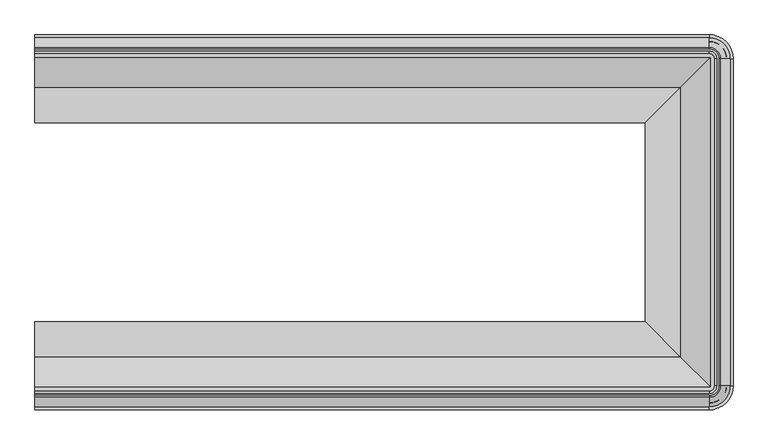
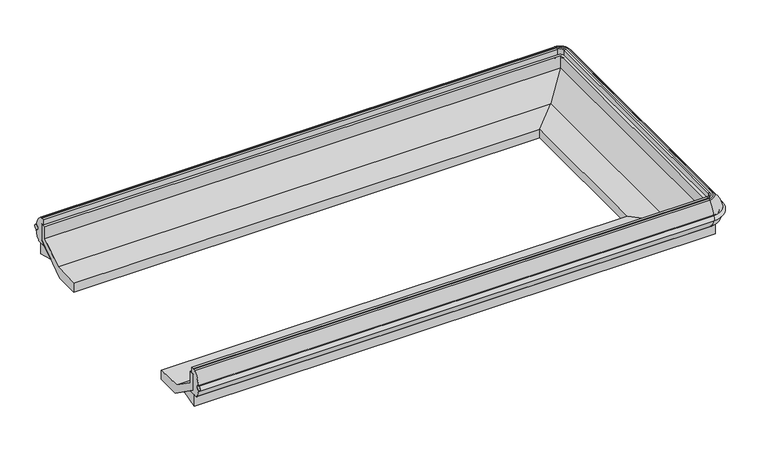
"""IFC4 building model written with IfcOpenShell, lengths in millimetres: proxy geometry."""

from ifc_helpers import new_model, si_unit, point, frame, origin, place, context, project, spatial, polyline, circle_curve, ellipse_curve, trimmed, faceted_brep, source, transform, mapped, element, save
from ifc_brep_helpers import plane_surface, cylinder_surface, revolved_surface, advanced_brep


def mechanical_equipment_6309b47d(model_context):
    return source(origin(), model_context, "Body", "SolidModel", [
        advanced_brep(
        [(0.0, -365.6059435, 602.247843), (0.0, -364.7243169, 567.3458826), (0.0, -2361.2333111, 602.247843), (0.0, -2362.1149377, 567.3458826), (3651.3002227, -365.6059435, 602.247843), (3651.3002227, -364.7243169, 567.3458826), (3764.1203104, -477.5444046, 567.3458826), (3763.2386838, -477.5444046, 602.247843), (3763.2386838, -2249.29485, 602.247843), (3764.1203104, -2249.29485, 567.3458826), (3651.3002227, -2362.1149377, 567.3458826), (3651.3002227, -2361.2333111, 602.247843)],
        [
            (0, 1, circle_curve(frame((0.0, -366.3246731, 584.7675726), z_axis=(-1.0, 0.0, 0.0), x_axis=(0.0, 1.0, 0.0)), 17.49504)),
            (1, 0, circle_curve(frame((0.0, -366.2319692, 584.7699144), z_axis=(-1.0, 0.0, 0.0), x_axis=(0.0, 1.0, 0.0)), 17.4891366)),
            (2, 3, circle_curve(frame((0.0, -2360.6072854, 584.7699144), z_axis=(-1.0, 0.0, 0.0), x_axis=(0.0, -1.0, 0.0)), 17.4891366)),
            (3, 2, circle_curve(frame((0.0, -2360.5145815, 584.7675726), z_axis=(-1.0, 0.0, 0.0), x_axis=(0.0, -1.0, 0.0)), 17.49504)),
            (0, 4),
            (4, 5, circle_curve(frame((3651.3002227, -366.3246731, 584.7675726), z_axis=(-1.0, 0.0, 0.0), x_axis=(0.0, 1.0, 0.0)), 17.49504)),
            (5, 1),
            (5, 4, circle_curve(frame((3651.3002227, -366.2319692, 584.7699144), z_axis=(-1.0, 0.0, 0.0), x_axis=(0.0, 1.0, 0.0)), 17.4891366)),
            (6, 5, circle_curve(frame((3651.3002227, -477.5444046, 567.3458826), z_axis=(0.0, 0.0, 1.0), x_axis=(0.0, 1.0, 0.0)), 112.8200877)),
            (4, 7, circle_curve(frame((3651.3002227, -477.5444046, 602.247843), z_axis=(0.0, 0.0, -1.0), x_axis=(0.0, 1.0, 0.0)), 111.9384611)),
            (7, 6, circle_curve(frame((3762.5199542, -477.5444046, 584.7675726), z_axis=(0.0, 1.0, 0.0), x_axis=(1.0, 0.0, 0.0)), 17.49504)),
            (6, 7, circle_curve(frame((3762.6126581, -477.5444046, 584.7699144), z_axis=(0.0, 1.0, 0.0), x_axis=(1.0, 0.0, 0.0)), 17.4891366)),
            (7, 8),
            (8, 9, circle_curve(frame((3762.5199542, -2249.29485, 584.7675726), z_axis=(0.0, 1.0, 0.0), x_axis=(1.0, 0.0, 0.0)), 17.49504)),
            (9, 6),
            (9, 8, circle_curve(frame((3762.6126581, -2249.29485, 584.7699144), z_axis=(0.0, 1.0, 0.0), x_axis=(1.0, 0.0, 0.0)), 17.4891366)),
            (10, 9, circle_curve(frame((3651.3002227, -2249.29485, 567.3458826), z_axis=(0.0, 0.0, 1.0), x_axis=(1.0, 0.0, 0.0)), 112.8200877)),
            (8, 11, circle_curve(frame((3651.3002227, -2249.29485, 602.247843), z_axis=(0.0, 0.0, -1.0), x_axis=(1.0, 0.0, 0.0)), 111.9384611)),
            (11, 10, circle_curve(frame((3651.3002227, -2360.5145815, 584.7675726), z_axis=(1.0, 0.0, 0.0), x_axis=(0.0, -1.0, 0.0)), 17.49504)),
            (10, 11, circle_curve(frame((3651.3002227, -2360.6072854, 584.7699144), z_axis=(1.0, 0.0, 0.0), x_axis=(0.0, -1.0, 0.0)), 17.4891366)),
            (11, 2),
            (3, 10),
        ],
        [
            plane_surface(frame((0.0, -401.3444046, 0.0), z_axis=(-1.0, 0.0, 0.0), x_axis=(0.0, 0.0, 1.0))),
            plane_surface(frame((0.0, -2325.49485, 0.0), z_axis=(-1.0, 0.0, 0.0), x_axis=(0.0, 0.0, 1.0))),
            cylinder_surface(frame((0.0, -366.3246731, 584.7675726), z_axis=(-1.0, 0.0, 0.0), x_axis=(0.0, 1.0, 0.0)), 17.49504),
            cylinder_surface(frame((0.0, -366.2319692, 584.7699144), z_axis=(-1.0, 0.0, 0.0), x_axis=(0.0, 1.0, 0.0)), 17.4891366),
            revolved_surface(trimmed(ellipse_curve(frame((3651.3002227, -366.3246731, 584.7675726), z_axis=(-1.0, 0.0, 0.0), x_axis=(0.0, 1.0, 0.0)), 17.49504, 17.49504), [point((3651.3002227, -365.6059435, 602.247843))], [point((3651.3002227, -364.7243169, 567.3458826))], True, "CARTESIAN"), (3651.3002227, -477.5444046, 0.0), (0.0, 0.0, -1.0)),
            revolved_surface(trimmed(ellipse_curve(frame((3651.3002227, -366.2319692, 584.7699144), z_axis=(-1.0, 0.0, 0.0), x_axis=(0.0, 1.0, 0.0)), 17.4891366, 17.4891366), [point((3651.3002227, -364.7243169, 567.3458826))], [point((3651.3002227, -365.6059435, 602.247843))], True, "CARTESIAN"), (3651.3002227, -477.5444046, 0.0), (0.0, 0.0, -1.0)),
            cylinder_surface(frame((3762.5199542, -477.5444046, 584.7675726), z_axis=(0.0, 1.0, 0.0), x_axis=(1.0, 0.0, 0.0)), 17.49504),
            cylinder_surface(frame((3762.6126581, -477.5444046, 584.7699144), z_axis=(0.0, 1.0, 0.0), x_axis=(1.0, 0.0, 0.0)), 17.4891366),
            revolved_surface(trimmed(ellipse_curve(frame((3762.5199542, -2249.29485, 584.7675726), z_axis=(0.0, 1.0, 0.0), x_axis=(1.0, 0.0, 0.0)), 17.49504, 17.49504), [point((3763.2386838, -2249.29485, 602.247843))], [point((3764.1203104, -2249.29485, 567.3458826))], True, "CARTESIAN"), (3651.3002227, -2249.29485, 0.0), (0.0, 0.0, -1.0)),
            revolved_surface(trimmed(ellipse_curve(frame((3762.6126581, -2249.29485, 584.7699144), z_axis=(0.0, 1.0, 0.0), x_axis=(1.0, 0.0, 0.0)), 17.4891366, 17.4891366), [point((3764.1203104, -2249.29485, 567.3458826))], [point((3763.2386838, -2249.29485, 602.247843))], True, "CARTESIAN"), (3651.3002227, -2249.29485, 0.0), (0.0, 0.0, -1.0)),
            cylinder_surface(frame((3651.3002227, -2360.5145815, 584.7675726), z_axis=(1.0, 0.0, 0.0), x_axis=(0.0, -1.0, 0.0)), 17.49504),
            cylinder_surface(frame((3651.3002227, -2360.6072854, 584.7699144), z_axis=(1.0, 0.0, 0.0), x_axis=(0.0, -1.0, 0.0)), 17.4891366),
        ],
        [
            (0, [[1, 2]]),
            (1, [[3, 4]]),
            (2, [[-1, 5, 6, 7]]),
            (3, [[-2, -7, 8, -5]]),
            (4, [[9, -6, 10, 11]]),
            (5, [[-10, -8, -9, 12]]),
            (6, [[-11, 13, 14, 15]]),
            (7, [[-12, -15, 16, -13]]),
            (8, [[17, -14, 18, 19]]),
            (9, [[-18, -16, -17, 20]]),
            (10, [[-19, 21, -4, 22]]),
            (11, [[-20, -22, -3, -21]]),
        ],
    ),
        advanced_brep(
        [(0.0, -2333.0315958, 504.5537563), (0.0, -2363.034468, 567.4500216), (0.0, -2362.8248409, 602.1178925), (0.0, -2311.7516931, 687.0777092), (0.0, -2300.9652704, 691.305018), (0.0, -2291.4402704, 691.305018), (0.0, -2277.3254027, 690.9426532), (0.0, -2277.3254027, 650.3352408), (0.0, -2294.2214353, 650.3352408), (0.0, -2294.2214353, 529.925931), (0.0, -2254.9980473, 502.405218), (0.0, -2328.2702704, 502.405218), (0.0, -393.8076588, 504.5537563), (0.0, -398.5689842, 502.405218), (0.0, -471.8412073, 502.405218), (0.0, -432.6178193, 529.925931), (0.0, -432.6178193, 650.3352408), (0.0, -449.5138519, 650.3352408), (0.0, -449.5138519, 690.9426532), (0.0, -435.3989842, 691.305018), (0.0, -425.8739842, 691.305018), (0.0, -415.0875615, 687.0777092), (0.0, -364.0144137, 602.1178925), (0.0, -363.8047866, 567.4500216), (3651.3002227, -2333.0315958, 504.5537563), (3651.3002227, -2363.034468, 567.4500216), (3651.3002227, -2362.8248409, 602.1178925), (3651.3002227, -2311.7516931, 687.0777092), (3651.3002227, -2300.9652704, 691.305018), (3702.9706431, -2249.29485, 691.305018), (3702.9706431, -477.5444046, 691.305018), (3651.3002227, -425.8739842, 691.305018), (3651.3002227, -435.3989842, 691.305018), (3693.4456431, -477.5444046, 691.305018), (3693.4456431, -2249.29485, 691.305018), (3651.3002227, -2291.4402704, 691.305018), (3651.3002227, -2277.3254027, 690.9426532), (3651.3002227, -2277.3254027, 650.3352408), (3679.3307754, -2249.29485, 650.3352408), (3679.3307754, -477.5444046, 650.3352408), (3651.3002227, -449.5138519, 650.3352408), (3651.3002227, -432.6178193, 650.3352408), (3696.226808, -477.5444046, 650.3352408), (3696.226808, -2249.29485, 650.3352408), (3651.3002227, -2294.2214353, 650.3352408), (3651.3002227, -2294.2214353, 529.925931), (3651.3002227, -2254.9980473, 502.405218), (3657.00342, -2249.29485, 502.405218), (3657.00342, -477.5444046, 502.405218), (3651.3002227, -471.8412073, 502.405218), (3651.3002227, -398.5689842, 502.405218), (3730.2756431, -477.5444046, 502.405218), (3730.2756431, -2249.29485, 502.405218), (3651.3002227, -2328.2702704, 502.405218), (3765.0398407, -2249.29485, 567.4500216), (3735.0369685, -2249.29485, 504.5537563), (3764.8302136, -2249.29485, 602.1178925), (3713.7570658, -2249.29485, 687.0777092), (3679.3307754, -2249.29485, 690.9426532), (3696.226808, -2249.29485, 529.925931), (3735.0369685, -477.5444046, 504.5537563), (3765.0398407, -477.5444046, 567.4500216), (3764.8302136, -477.5444046, 602.1178925), (3713.7570658, -477.5444046, 687.0777092), (3679.3307754, -477.5444046, 690.9426532), (3696.226808, -477.5444046, 529.925931), (3651.3002227, -363.8047866, 567.4500216), (3651.3002227, -393.8076588, 504.5537563), (3651.3002227, -364.0144137, 602.1178925), (3651.3002227, -415.0875615, 687.0777092), (3651.3002227, -449.5138519, 690.9426532), (3651.3002227, -432.6178193, 529.925931)],
        [
            (0, 1, circle_curve(frame((0.0, -2237.8050879, 588.5829906), z_axis=(-1.0, 0.0, 0.0), x_axis=(0.0, 1.0, 0.0)), 127.0)),
            (1, 2, circle_curve(frame((0.0, -2360.6072854, 584.7699144), z_axis=(1.0, 0.0, 0.0), x_axis=(0.0, 1.0, 0.0)), 17.4891366)),
            (2, 3, circle_curve(frame((0.0, -2190.9437587, 556.623568), z_axis=(-1.0, 0.0, 0.0), x_axis=(0.0, 1.0, 0.0)), 177.7999999)),
            (3, 4, circle_curve(frame((0.0, -2300.9652704, 675.430018), z_axis=(-1.0, 0.0, 0.0), x_axis=(0.0, 1.0, 0.0)), 15.875)),
            (4, 5),
            (5, 6),
            (6, 7),
            (7, 8),
            (8, 9),
            (9, 10),
            (10, 11),
            (11, 0, circle_curve(frame((0.0, -2328.2702704, 508.755218), z_axis=(-1.0, 0.0, 0.0), x_axis=(0.0, 1.0, 0.0)), 6.35)),
            (12, 13, circle_curve(frame((0.0, -398.5689842, 508.755218), z_axis=(-1.0, 0.0, 0.0), x_axis=(0.0, -1.0, 0.0)), 6.35)),
            (13, 14),
            (14, 15),
            (15, 16),
            (16, 17),
            (17, 18),
            (18, 19),
            (19, 20),
            (20, 21, circle_curve(frame((0.0, -425.8739842, 675.430018), z_axis=(-1.0, 0.0, 0.0), x_axis=(0.0, -1.0, 0.0)), 15.875)),
            (21, 22, circle_curve(frame((0.0, -535.8954959, 556.623568), z_axis=(-1.0, 0.0, 0.0), x_axis=(0.0, -1.0, 0.0)), 177.7999999)),
            (22, 23, circle_curve(frame((0.0, -366.2319692, 584.7699144), z_axis=(1.0, 0.0, 0.0), x_axis=(0.0, -1.0, 0.0)), 17.4891366)),
            (23, 12, circle_curve(frame((0.0, -489.0341667, 588.5829906), z_axis=(-1.0, 0.0, 0.0), x_axis=(0.0, -1.0, 0.0)), 127.0)),
            (0, 24),
            (24, 25, circle_curve(frame((3651.3002227, -2237.8050879, 588.5829906), z_axis=(-1.0, 0.0, 0.0), x_axis=(0.0, 1.0, 0.0)), 127.0)),
            (25, 1),
            (25, 26, circle_curve(frame((3651.3002227, -2360.6072854, 584.7699144), z_axis=(1.0, 0.0, 0.0), x_axis=(0.0, 1.0, 0.0)), 17.4891366)),
            (26, 2),
            (26, 27, circle_curve(frame((3651.3002227, -2190.9437587, 556.623568), z_axis=(-1.0, 0.0, 0.0), x_axis=(0.0, 1.0, 0.0)), 177.7999999)),
            (27, 3),
            (27, 28, circle_curve(frame((3651.3002227, -2300.9652704, 675.430018), z_axis=(-1.0, 0.0, 0.0), x_axis=(0.0, 1.0, 0.0)), 15.875)),
            (28, 4),
            (28, 29, circle_curve(frame((3651.3002227, -2249.29485, 691.305018), z_axis=(0.0, 0.0, 1.0), x_axis=(0.0, -1.0, 0.0)), 51.6704204)),
            (29, 30),
            (30, 31, circle_curve(frame((3651.3002227, -477.5444046, 691.305018), z_axis=(0.0, 0.0, 1.0), x_axis=(1.0, 0.0, 0.0)), 51.6704204)),
            (31, 20),
            (19, 32),
            (32, 33, circle_curve(frame((3651.3002227, -477.5444046, 691.305018), z_axis=(0.0, 0.0, -1.0), x_axis=(1.0, 0.0, 0.0)), 42.1454204)),
            (33, 34),
            (34, 35, circle_curve(frame((3651.3002227, -2249.29485, 691.305018), z_axis=(0.0, 0.0, -1.0), x_axis=(0.0, -1.0, 0.0)), 42.1454204)),
            (35, 5),
            (35, 36),
            (36, 6),
            (36, 37),
            (37, 7),
            (37, 38, circle_curve(frame((3651.3002227, -2249.29485, 650.3352408), z_axis=(0.0, 0.0, 1.0), x_axis=(0.0, -1.0, 0.0)), 28.0305527)),
            (38, 39),
            (39, 40, circle_curve(frame((3651.3002227, -477.5444046, 650.3352408), z_axis=(0.0, 0.0, 1.0), x_axis=(1.0, 0.0, 0.0)), 28.0305527)),
            (40, 17),
            (16, 41),
            (41, 42, circle_curve(frame((3651.3002227, -477.5444046, 650.3352408), z_axis=(0.0, 0.0, -1.0), x_axis=(1.0, 0.0, 0.0)), 44.9265852)),
            (42, 43),
            (43, 44, circle_curve(frame((3651.3002227, -2249.29485, 650.3352408), z_axis=(0.0, 0.0, -1.0), x_axis=(0.0, -1.0, 0.0)), 44.9265852)),
            (44, 8),
            (44, 45),
            (45, 9),
            (45, 46),
            (46, 10),
            (46, 47, circle_curve(frame((3651.3002227, -2249.29485, 502.405218), z_axis=(0.0, 0.0, 1.0), x_axis=(0.0, -1.0, 0.0)), 5.7031973)),
            (47, 48),
            (48, 49, circle_curve(frame((3651.3002227, -477.5444046, 502.405218), z_axis=(0.0, 0.0, 1.0), x_axis=(1.0, 0.0, 0.0)), 5.7031973)),
            (49, 14),
            (13, 50),
            (50, 51, circle_curve(frame((3651.3002227, -477.5444046, 502.405218), z_axis=(0.0, 0.0, -1.0), x_axis=(1.0, 0.0, 0.0)), 78.9754204)),
            (51, 52),
            (52, 53, circle_curve(frame((3651.3002227, -2249.29485, 502.405218), z_axis=(0.0, 0.0, -1.0), x_axis=(0.0, -1.0, 0.0)), 78.9754204)),
            (53, 11),
            (53, 24, circle_curve(frame((3651.3002227, -2328.2702704, 508.755218), z_axis=(-1.0, 0.0, 0.0), x_axis=(0.0, 1.0, 0.0)), 6.35)),
            (54, 25, circle_curve(frame((3651.3002227, -2249.29485, 567.4500216), z_axis=(0.0, 0.0, -1.0), x_axis=(0.0, -1.0, 0.0)), 113.739618)),
            (24, 55, circle_curve(frame((3651.3002227, -2249.29485, 504.5537563), z_axis=(0.0, 0.0, 1.0), x_axis=(0.0, -1.0, 0.0)), 83.7367458)),
            (55, 54, circle_curve(frame((3639.8104606, -2249.29485, 588.5829906), z_axis=(0.0, -1.0, 0.0), x_axis=(-1.0, 0.0, 0.0)), 127.0)),
            (56, 26, circle_curve(frame((3651.3002227, -2249.29485, 602.1178925), z_axis=(0.0, 0.0, -1.0), x_axis=(0.0, -1.0, 0.0)), 113.5299909)),
            (54, 56, circle_curve(frame((3762.6126581, -2249.29485, 584.7699144), z_axis=(0.0, 1.0, 0.0), x_axis=(-1.0, 0.0, 0.0)), 17.4891366)),
            (57, 27, circle_curve(frame((3651.3002227, -2249.29485, 687.0777092), z_axis=(0.0, 0.0, -1.0), x_axis=(0.0, -1.0, 0.0)), 62.4568431)),
            (56, 57, circle_curve(frame((3592.9491314, -2249.29485, 556.623568), z_axis=(0.0, -1.0, 0.0), x_axis=(-1.0, 0.0, 0.0)), 177.7999999)),
            (57, 29, circle_curve(frame((3702.9706431, -2249.29485, 675.430018), z_axis=(0.0, -1.0, 0.0), x_axis=(-1.0, 0.0, 0.0)), 15.875)),
            (58, 36, circle_curve(frame((3651.3002227, -2249.29485, 690.9426532), z_axis=(0.0, 0.0, -1.0), x_axis=(0.0, -1.0, 0.0)), 28.0305527)),
            (34, 58),
            (58, 38),
            (59, 45, circle_curve(frame((3651.3002227, -2249.29485, 529.925931), z_axis=(0.0, 0.0, -1.0), x_axis=(0.0, -1.0, 0.0)), 44.9265852)),
            (43, 59),
            (59, 47),
            (52, 55, circle_curve(frame((3730.2756431, -2249.29485, 508.755218), z_axis=(0.0, -1.0, 0.0), x_axis=(-1.0, 0.0, 0.0)), 6.35)),
            (55, 60),
            (60, 61, circle_curve(frame((3639.8104606, -477.5444046, 588.5829906), z_axis=(0.0, -1.0, 0.0), x_axis=(-1.0, 0.0, 0.0)), 127.0)),
            (61, 54),
            (61, 62, circle_curve(frame((3762.6126581, -477.5444046, 584.7699144), z_axis=(0.0, 1.0, 0.0), x_axis=(-1.0, 0.0, 0.0)), 17.4891366)),
            (62, 56),
            (62, 63, circle_curve(frame((3592.9491314, -477.5444046, 556.623568), z_axis=(0.0, -1.0, 0.0), x_axis=(-1.0, 0.0, 0.0)), 177.7999999)),
            (63, 57),
            (63, 30, circle_curve(frame((3702.9706431, -477.5444046, 675.430018), z_axis=(0.0, -1.0, 0.0), x_axis=(-1.0, 0.0, 0.0)), 15.875)),
            (33, 64),
            (64, 58),
            (64, 39),
            (42, 65),
            (65, 59),
            (65, 48),
            (51, 60, circle_curve(frame((3730.2756431, -477.5444046, 508.755218), z_axis=(0.0, -1.0, 0.0), x_axis=(-1.0, 0.0, 0.0)), 6.35)),
            (66, 61, circle_curve(frame((3651.3002227, -477.5444046, 567.4500216), z_axis=(0.0, 0.0, -1.0), x_axis=(1.0, 0.0, 0.0)), 113.739618)),
            (60, 67, circle_curve(frame((3651.3002227, -477.5444046, 504.5537563), z_axis=(0.0, 0.0, 1.0), x_axis=(1.0, 0.0, 0.0)), 83.7367458)),
            (67, 66, circle_curve(frame((3651.3002227, -489.0341667, 588.5829906), z_axis=(1.0, 0.0, 0.0), x_axis=(0.0, -1.0, 0.0)), 127.0)),
            (68, 62, circle_curve(frame((3651.3002227, -477.5444046, 602.1178925), z_axis=(0.0, 0.0, -1.0), x_axis=(1.0, 0.0, 0.0)), 113.5299909)),
            (66, 68, circle_curve(frame((3651.3002227, -366.2319692, 584.7699144), z_axis=(-1.0, 0.0, 0.0), x_axis=(0.0, -1.0, 0.0)), 17.4891366)),
            (69, 63, circle_curve(frame((3651.3002227, -477.5444046, 687.0777092), z_axis=(0.0, 0.0, -1.0), x_axis=(1.0, 0.0, 0.0)), 62.4568431)),
            (68, 69, circle_curve(frame((3651.3002227, -535.8954959, 556.623568), z_axis=(1.0, 0.0, 0.0), x_axis=(0.0, -1.0, 0.0)), 177.7999999)),
            (69, 31, circle_curve(frame((3651.3002227, -425.8739842, 675.430018), z_axis=(1.0, 0.0, 0.0), x_axis=(0.0, -1.0, 0.0)), 15.875)),
            (70, 64, circle_curve(frame((3651.3002227, -477.5444046, 690.9426532), z_axis=(0.0, 0.0, -1.0), x_axis=(1.0, 0.0, 0.0)), 28.0305527)),
            (32, 70),
            (70, 40),
            (71, 65, circle_curve(frame((3651.3002227, -477.5444046, 529.925931), z_axis=(0.0, 0.0, -1.0), x_axis=(1.0, 0.0, 0.0)), 44.9265852)),
            (41, 71),
            (71, 49),
            (50, 67, circle_curve(frame((3651.3002227, -398.5689842, 508.755218), z_axis=(1.0, 0.0, 0.0), x_axis=(0.0, -1.0, 0.0)), 6.35)),
            (67, 12),
            (23, 66),
            (22, 68),
            (21, 69),
            (18, 70),
            (15, 71),
        ],
        [
            plane_surface(frame((0.0, -2325.49485, 0.0), z_axis=(-1.0, 0.0, 0.0), x_axis=(0.0, 0.0, 1.0))),
            plane_surface(frame((0.0, -401.3444046, 0.0), z_axis=(-1.0, 0.0, 0.0), x_axis=(0.0, 0.0, 1.0))),
            cylinder_surface(frame((0.0, -2237.8050879, 588.5829906), z_axis=(-1.0, 0.0, 0.0), x_axis=(0.0, 1.0, 0.0)), 127.0),
            revolved_surface(polyline([(3651.3002227, -2343.1181487999997, 584.7699144), (0.0, -2343.1181487999997, 584.7699144)]), (0.0, -2360.6072854, 584.7699144), (1.0, 0.0, 0.0)),
            cylinder_surface(frame((0.0, -2190.9437587, 556.623568), z_axis=(-1.0, 0.0, 0.0), x_axis=(0.0, 1.0, 0.0)), 177.7999999),
            cylinder_surface(frame((0.0, -2300.9652704, 675.430018), z_axis=(-1.0, 0.0, 0.0), x_axis=(0.0, 1.0, 0.0)), 15.875),
            plane_surface(frame((0.0, -2300.9652704, 691.305018), z_axis=(0.0, 0.0, 1.0), x_axis=(1.0, 0.0, 0.0))),
            plane_surface(frame((0.0, -2291.4402704, 691.305018), z_axis=(0.0, 0.025664107244576673, 0.9996706225549188), x_axis=(1.0, 0.0, 0.0))),
            plane_surface(frame((0.0, -2277.3254027, 690.9426532), z_axis=(0.0, 1.0, 0.0), x_axis=(1.0, 0.0, 0.0))),
            plane_surface(frame((0.0, -2277.3254027, 650.3352408), z_axis=(0.0, 0.0, -1.0), x_axis=(1.0, 0.0, 0.0))),
            plane_surface(frame((0.0, -2294.2214353, 650.3352408), z_axis=(0.0, 1.0, 0.0), x_axis=(1.0, 0.0, 0.0))),
            plane_surface(frame((0.0, -2294.2214353, 529.925931), z_axis=(0.0, 0.5743632182498677, 0.8186005701938247), x_axis=(1.0, 0.0, 0.0))),
            plane_surface(frame((0.0, -2254.9980473, 502.405218), z_axis=(0.0, 0.0, -1.0), x_axis=(1.0, 0.0, 0.0))),
            cylinder_surface(frame((0.0, -2328.2702704, 508.755218), z_axis=(-1.0, 0.0, 0.0), x_axis=(0.0, 1.0, 0.0)), 6.35),
            revolved_surface(trimmed(ellipse_curve(frame((3651.3002227, -2237.8050879, 588.5829906), z_axis=(-1.0, 0.0, 0.0), x_axis=(0.0, 1.0, 0.0)), 127.0, 127.0), [point((3651.3002227, -2333.0315958, 504.5537563))], [point((3651.3002227, -2363.034468, 567.4500216))], True, "CARTESIAN"), (3651.3002227, -2249.29485, 0.0), (0.0, 0.0, 1.0)),
            revolved_surface(trimmed(ellipse_curve(frame((3651.3002227, -2360.6072854, 584.7699144), z_axis=(1.0, 0.0, 0.0), x_axis=(0.0, 1.0, 0.0)), 17.4891366, 17.4891366), [point((3651.3002227, -2363.034468, 567.4500216))], [point((3651.3002227, -2362.8248409, 602.1178925))], True, "CARTESIAN"), (3651.3002227, -2249.29485, 0.0), (0.0, 0.0, 1.0)),
            revolved_surface(trimmed(ellipse_curve(frame((3651.3002227, -2190.9437587, 556.623568), z_axis=(-1.0, 0.0, 0.0), x_axis=(0.0, 1.0, 0.0)), 177.7999999, 177.7999999), [point((3651.3002227, -2362.8248409, 602.1178925))], [point((3651.3002227, -2311.7516931, 687.0777092))], True, "CARTESIAN"), (3651.3002227, -2249.29485, 0.0), (0.0, 0.0, 1.0)),
            revolved_surface(trimmed(ellipse_curve(frame((3651.3002227, -2300.9652704, 675.430018), z_axis=(-1.0, 0.0, 0.0), x_axis=(0.0, 1.0, 0.0)), 15.875, 15.875), [point((3651.3002227, -2311.7516931, 687.0777092))], [point((3651.3002227, -2300.9652704, 691.305018))], True, "CARTESIAN"), (3651.3002227, -2249.29485, 0.0), (0.0, 0.0, 1.0)),
            revolved_surface(polyline([(3651.3002227, -2291.4402704, 691.305018), (3651.3002227, -2277.3254027, 690.9426532)]), (3651.3002227, -2249.29485, 0.0), (0.0, 0.0, 1.0)),
            revolved_surface(polyline([(3651.3002227, -2277.3254027000003, 690.9426532), (3651.3002227, -2277.3254027000003, 650.3352408)]), (3651.3002227, -2249.29485, 0.0), (0.0, 0.0, 1.0)),
            revolved_surface(polyline([(3651.3002227, -2294.2214352, 650.3352408), (3651.3002227, -2294.2214352, 529.925931)]), (3651.3002227, -2249.29485, 0.0), (0.0, 0.0, 1.0)),
            revolved_surface(polyline([(3651.3002227, -2294.2214353, 529.925931), (3651.3002227, -2254.9980473, 502.405218)]), (3651.3002227, -2249.29485, 0.0), (0.0, 0.0, 1.0)),
            revolved_surface(trimmed(ellipse_curve(frame((3651.3002227, -2328.2702704, 508.755218), z_axis=(-1.0, 0.0, 0.0), x_axis=(0.0, 1.0, 0.0)), 6.35, 6.35), [point((3651.3002227, -2328.2702704, 502.405218))], [point((3651.3002227, -2333.0315958, 504.5537563))], True, "CARTESIAN"), (3651.3002227, -2249.29485, 0.0), (0.0, 0.0, 1.0)),
            cylinder_surface(frame((3639.8104606, -2249.29485, 588.5829906), z_axis=(0.0, -1.0, 0.0), x_axis=(-1.0, 0.0, 0.0)), 127.0),
            revolved_surface(polyline([(3745.1235214999997, -477.5444046, 584.7699144), (3745.1235214999997, -2249.29485, 584.7699144)]), (3762.6126581, -2249.29485, 584.7699144), (0.0, 1.0, 0.0)),
            cylinder_surface(frame((3592.9491314, -2249.29485, 556.623568), z_axis=(0.0, -1.0, 0.0), x_axis=(-1.0, 0.0, 0.0)), 177.7999999),
            cylinder_surface(frame((3702.9706431, -2249.29485, 675.430018), z_axis=(0.0, -1.0, 0.0), x_axis=(-1.0, 0.0, 0.0)), 15.875),
            plane_surface(frame((3693.4456431, -2249.29485, 691.305018), z_axis=(-0.025664107244576673, 0.0, 0.9996706225549188), x_axis=(0.0, 1.0, 0.0))),
            plane_surface(frame((3679.3307754, -2249.29485, 690.9426532), z_axis=(-1.0, 0.0, 0.0), x_axis=(0.0, 1.0, 0.0))),
            plane_surface(frame((3696.226808, -2249.29485, 650.3352408), z_axis=(-1.0, 0.0, 0.0), x_axis=(0.0, 1.0, 0.0))),
            plane_surface(frame((3696.226808, -2249.29485, 529.925931), z_axis=(-0.5743632182498677, 0.0, 0.8186005701938247), x_axis=(0.0, 1.0, 0.0))),
            cylinder_surface(frame((3730.2756431, -2249.29485, 508.755218), z_axis=(0.0, -1.0, 0.0), x_axis=(-1.0, 0.0, 0.0)), 6.35),
            revolved_surface(trimmed(ellipse_curve(frame((3639.8104606, -477.5444046, 588.5829906), z_axis=(0.0, -1.0, 0.0), x_axis=(-1.0, 0.0, 0.0)), 127.0, 127.0), [point((3735.0369685, -477.5444046, 504.5537563))], [point((3765.0398407, -477.5444046, 567.4500216))], True, "CARTESIAN"), (3651.3002227, -477.5444046, 0.0), (0.0, 0.0, 1.0)),
            revolved_surface(trimmed(ellipse_curve(frame((3762.6126581, -477.5444046, 584.7699144), z_axis=(0.0, 1.0, 0.0), x_axis=(-1.0, 0.0, 0.0)), 17.4891366, 17.4891366), [point((3765.0398407, -477.5444046, 567.4500216))], [point((3764.8302136, -477.5444046, 602.1178925))], True, "CARTESIAN"), (3651.3002227, -477.5444046, 0.0), (0.0, 0.0, 1.0)),
            revolved_surface(trimmed(ellipse_curve(frame((3592.9491314, -477.5444046, 556.623568), z_axis=(0.0, -1.0, 0.0), x_axis=(-1.0, 0.0, 0.0)), 177.7999999, 177.7999999), [point((3764.8302136, -477.5444046, 602.1178925))], [point((3713.7570658, -477.5444046, 687.0777092))], True, "CARTESIAN"), (3651.3002227, -477.5444046, 0.0), (0.0, 0.0, 1.0)),
            revolved_surface(trimmed(ellipse_curve(frame((3702.9706431, -477.5444046, 675.430018), z_axis=(0.0, -1.0, 0.0), x_axis=(-1.0, 0.0, 0.0)), 15.875, 15.875), [point((3713.7570658, -477.5444046, 687.0777092))], [point((3702.9706431, -477.5444046, 691.305018))], True, "CARTESIAN"), (3651.3002227, -477.5444046, 0.0), (0.0, 0.0, 1.0)),
            revolved_surface(polyline([(3693.4456431, -477.5444046, 691.305018), (3679.3307754, -477.5444046, 690.9426532)]), (3651.3002227, -477.5444046, 0.0), (0.0, 0.0, 1.0)),
            revolved_surface(polyline([(3679.3307754, -477.5444046, 690.9426532), (3679.3307754, -477.5444046, 650.3352408)]), (3651.3002227, -477.5444046, 0.0), (0.0, 0.0, 1.0)),
            revolved_surface(polyline([(3696.2268079, -477.5444046, 650.3352408), (3696.2268079, -477.5444046, 529.925931)]), (3651.3002227, -477.5444046, 0.0), (0.0, 0.0, 1.0)),
            revolved_surface(polyline([(3696.226808, -477.5444046, 529.925931), (3657.00342, -477.5444046, 502.405218)]), (3651.3002227, -477.5444046, 0.0), (0.0, 0.0, 1.0)),
            revolved_surface(trimmed(ellipse_curve(frame((3730.2756431, -477.5444046, 508.755218), z_axis=(0.0, -1.0, 0.0), x_axis=(-1.0, 0.0, 0.0)), 6.35, 6.35), [point((3730.2756431, -477.5444046, 502.405218))], [point((3735.0369685, -477.5444046, 504.5537563))], True, "CARTESIAN"), (3651.3002227, -477.5444046, 0.0), (0.0, 0.0, 1.0)),
            cylinder_surface(frame((3651.3002227, -489.0341667, 588.5829906), z_axis=(1.0, 0.0, 0.0), x_axis=(0.0, -1.0, 0.0)), 127.0),
            revolved_surface(polyline([(0.0, -383.7211058, 584.7699144), (3651.3002227, -383.7211058, 584.7699144)]), (3651.3002227, -366.2319692, 584.7699144), (-1.0, 0.0, 0.0)),
            cylinder_surface(frame((3651.3002227, -535.8954959, 556.623568), z_axis=(1.0, 0.0, 0.0), x_axis=(0.0, -1.0, 0.0)), 177.7999999),
            cylinder_surface(frame((3651.3002227, -425.8739842, 675.430018), z_axis=(1.0, 0.0, 0.0), x_axis=(0.0, -1.0, 0.0)), 15.875),
            plane_surface(frame((3651.3002227, -435.3989842, 691.305018), z_axis=(0.0, -0.025664107244576673, 0.9996706225549188), x_axis=(-1.0, 0.0, 0.0))),
            plane_surface(frame((3651.3002227, -449.5138519, 690.9426532), z_axis=(0.0, -1.0, 0.0), x_axis=(-1.0, 0.0, 0.0))),
            plane_surface(frame((3651.3002227, -432.6178193, 650.3352408), z_axis=(0.0, -1.0, 0.0), x_axis=(-1.0, 0.0, 0.0))),
            plane_surface(frame((3651.3002227, -432.6178193, 529.925931), z_axis=(0.0, -0.5743632182498677, 0.8186005701938247), x_axis=(-1.0, 0.0, 0.0))),
            cylinder_surface(frame((3651.3002227, -398.5689842, 508.755218), z_axis=(1.0, 0.0, 0.0), x_axis=(0.0, -1.0, 0.0)), 6.35),
        ],
        [
            (0, [[1, 2, 3, 4, 5, 6, 7, 8, 9, 10, 11, 12]]),
            (1, [[13, 14, 15, 16, 17, 18, 19, 20, 21, 22, 23, 24]]),
            (2, [[-1, 25, 26, 27]]),
            (3, [[-2, -27, 28, 29]]),
            (4, [[-3, -29, 30, 31]]),
            (5, [[-4, -31, 32, 33]]),
            (6, [[-5, -33, 34, 35, 36, 37, -20, 38, 39, 40, 41, 42]]),
            (7, [[-6, -42, 43, 44]]),
            (8, [[-7, -44, 45, 46]]),
            (9, [[-8, -46, 47, 48, 49, 50, -17, 51, 52, 53, 54, 55]]),
            (10, [[-9, -55, 56, 57]]),
            (11, [[-10, -57, 58, 59]]),
            (12, [[-11, -59, 60, 61, 62, 63, -14, 64, 65, 66, 67, 68]]),
            (13, [[-12, -68, 69, -25]]),
            (14, [[70, -26, 71, 72]]),
            (15, [[73, -28, -70, 74]]),
            (16, [[75, -30, -73, 76]]),
            (17, [[-34, -32, -75, 77]]),
            (18, [[78, -43, -41, 79]]),
            (19, [[-47, -45, -78, 80]]),
            (20, [[81, -56, -54, 82]]),
            (21, [[-60, -58, -81, 83]]),
            (22, [[-71, -69, -67, 84]]),
            (23, [[-72, 85, 86, 87]]),
            (24, [[-74, -87, 88, 89]]),
            (25, [[-76, -89, 90, 91]]),
            (26, [[-77, -91, 92, -35]]),
            (27, [[-79, -40, 93, 94]]),
            (28, [[-80, -94, 95, -48]]),
            (29, [[-82, -53, 96, 97]]),
            (30, [[-83, -97, 98, -61]]),
            (31, [[-84, -66, 99, -85]]),
            (32, [[100, -86, 101, 102]]),
            (33, [[103, -88, -100, 104]]),
            (34, [[105, -90, -103, 106]]),
            (35, [[-36, -92, -105, 107]]),
            (36, [[108, -93, -39, 109]]),
            (37, [[-49, -95, -108, 110]]),
            (38, [[111, -96, -52, 112]]),
            (39, [[-62, -98, -111, 113]]),
            (40, [[-101, -99, -65, 114]]),
            (41, [[-102, 115, -24, 116]]),
            (42, [[-104, -116, -23, 117]]),
            (43, [[-106, -117, -22, 118]]),
            (44, [[-107, -118, -21, -37]]),
            (45, [[-109, -38, -19, 119]]),
            (46, [[-110, -119, -18, -50]]),
            (47, [[-112, -51, -16, 120]]),
            (48, [[-113, -120, -15, -63]]),
            (49, [[-114, -64, -13, -115]]),
        ],
    ),
        faceted_brep([(0.0, -2255.4277812, 502.405218), (0.0, -2181.4705446, 450.5138342), (0.0, -2306.659561, 418.2976265), (0.0, -2306.659561, 502.405218), (3693.245373, -2306.659561, 502.405218), (3693.245373, -420.1796936, 502.405218), (0.0, -420.1796936, 502.405218), (0.0, -471.4114734, 502.405218), (3642.0135932, -471.4114734, 502.405218), (3642.0135932, -2255.4277812, 502.405218), (3568.0563566, -2181.4705446, 450.5138342), (3693.245373, -2306.659561, 418.2976265), (3568.0563566, -545.36871, 450.5138342), (3693.245373, -420.1796936, 418.2976265), (0.0, -420.1796936, 418.2976265), (0.0, -545.36871, 450.5138342)], [[[0, 1, 2, 3]], [[0, 3, 4, 5, 6, 7, 8, 9]], [[1, 0, 9, 10]], [[2, 1, 10, 11]], [[10, 9, 8, 12]], [[11, 10, 12, 13]], [[7, 6, 14, 15]], [[12, 8, 7, 15]], [[13, 12, 15, 14]], [[3, 2, 11, 4]], [[4, 11, 13, 5]], [[5, 13, 14, 6]]]),
        faceted_brep([(0.0, -2072.917282, 374.65), (0.0, -2294.2214353, 529.925931), (0.0, -2294.2214353, 650.3352408), (0.0, -2255.8801353, 650.3352408), (0.0, -2255.8801353, 561.4683528), (0.0, -2093.1642244, 447.5334174), (0.0, -1901.8970159, 440.5122096), (0.0, -1901.8970159, 374.65), (3474.9226548, -2072.917282, 374.65), (3696.226808, -2294.2214353, 529.925931), (3696.226808, -2294.2214353, 650.3352408), (3696.226808, -432.6178193, 650.3352408), (0.0, -432.6178193, 650.3352408), (0.0, -470.9591193, 650.3352408), (3657.885508, -470.9591193, 650.3352408), (3657.885508, -2255.8801353, 650.3352408), (3657.885508, -2255.8801353, 561.4683528), (3495.1695971, -2093.1642244, 447.5334174), (3303.9023886, -1901.8970159, 440.5122096), (3303.9023886, -1901.8970159, 374.65), (3303.9023886, -824.9422387, 374.65), (0.0, -824.9422387, 374.65), (0.0, -653.9219725, 374.65), (3474.9226548, -653.9219725, 374.65), (3696.226808, -432.6178193, 529.925931), (3657.885508, -470.9591193, 561.4683528), (3495.1695971, -633.6750302, 447.5334174), (3303.9023886, -824.9422387, 440.5122096), (0.0, -824.9422387, 440.5122096), (0.0, -633.6750302, 447.5334174), (0.0, -470.9591193, 561.4683528), (0.0, -432.6178193, 529.925931)], [[[0, 1, 2, 3, 4, 5, 6, 7]], [[1, 0, 8, 9]], [[2, 1, 9, 10]], [[3, 2, 10, 11, 12, 13, 14, 15]], [[4, 3, 15, 16]], [[5, 4, 16, 17]], [[6, 5, 17, 18]], [[7, 6, 18, 19]], [[0, 7, 19, 20, 21, 22, 23, 8]], [[9, 8, 23, 24]], [[10, 9, 24, 11]], [[16, 15, 14, 25]], [[17, 16, 25, 26]], [[18, 17, 26, 27]], [[19, 18, 27, 20]], [[22, 21, 28, 29, 30, 13, 12, 31]], [[24, 23, 22, 31]], [[11, 24, 31, 12]], [[25, 14, 13, 30]], [[26, 25, 30, 29]], [[27, 26, 29, 28]], [[20, 27, 28, 21]]]),
    ])


if __name__ == "__main__":
    model = new_model("IFC4")
    model_context = context("Model", 3, world=origin())
    ifc_project = project(units=[si_unit("LENGTHUNIT", "METRE", prefix="MILLI")], contexts=[model_context])
    site = spatial("IfcSite", under=ifc_project)
    building = spatial("IfcBuilding", under=site)
    placement = place(None, origin())
    mechanical_equipment_shape = mechanical_equipment_6309b47d(model_context)
    element("IfcBuildingElementProxy", 1, Name="Mechanical Equipment", at=placement, inside=building, context=model_context, shape_type="MappedRepresentation", body=[
        mapped(mechanical_equipment_shape, transform((0.0, 0.0, 0.0), x_axis=(1.0, 0.0, 0.0), y_axis=(0.0, 1.0, 0.0), z_axis=(0.0, 0.0, 1.0))),
    ])
    save(model, "model.ifc")
